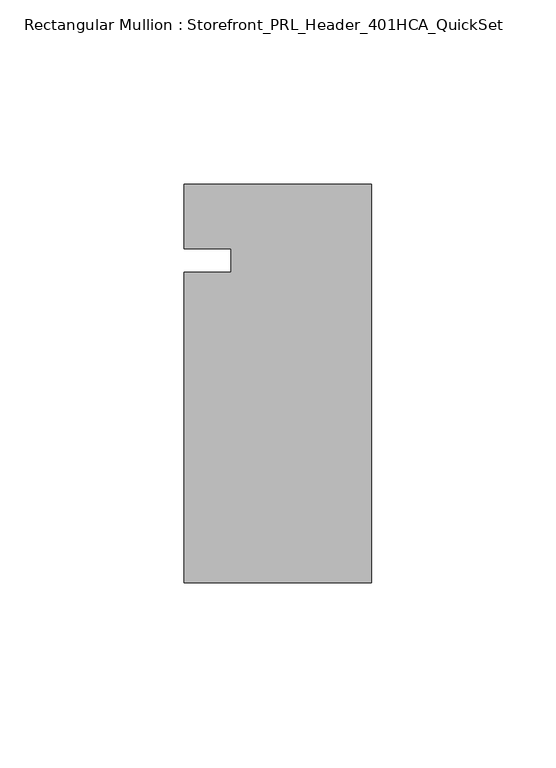
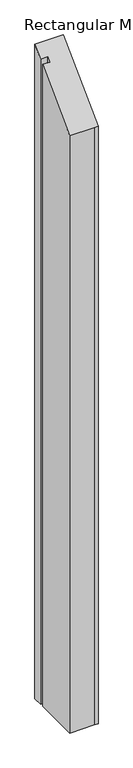
"""IFC4 building model written with IfcOpenShell, lengths in millimetres: member geometry, Rectangular Mullion : Storefront_PRL_Header_401HCA_QuickSet."""

from ifc_helpers import new_model, si_unit, origin, place, context, project, spatial, faceted_brep, source, transform, mapped, element, save


def rectangular_mullion_storefront_prl_header_401hca_quickset_e82ffaa1(model_context):
    return source(origin(), model_context, "Body", "Brep", [
        faceted_brep([(-38.1, -3.175, -1219.2), (-38.1, 3.175, -1219.2), (-50.8, 3.175, -1219.2), (-50.8, 20.6375, -1219.2), (-7.7254924, 20.6375, -1219.2), (0.0, 20.6375, -1219.2), (0.0, -87.3125, -1219.2), (-6.35, -87.3125, -1219.2), (-50.8, -87.3125, -1219.2), (-50.8, -3.175, -1219.2), (-50.8, -3.175, -3.175), (-38.1, -3.175, -3.175), (-50.8, -87.3125, -87.3125), (-6.35, -87.3125, -87.3125), (0.0, -87.3125, -87.3125), (0.0, 20.6375, 20.6375), (-7.7254924, 20.6375, 20.6375), (-50.8, 20.6375, 20.6375), (-50.8, 3.175, 3.175), (-38.1, 3.175, 3.175)], [[[0, 1, 2, 3, 4, 5, 6, 7, 8, 9]], [[10, 11, 0, 9]], [[12, 10, 9, 8]], [[13, 12, 8, 7]], [[14, 13, 7, 6]], [[15, 14, 6, 5]], [[16, 15, 5, 4]], [[17, 16, 4, 3]], [[18, 17, 3, 2]], [[19, 18, 2, 1]], [[11, 19, 1, 0]], [[11, 10, 12, 13, 14, 15, 16, 17, 18, 19]]]),
    ])


if __name__ == "__main__":
    model = new_model("IFC4")
    model_context = context("Model", 3, world=origin())
    ifc_project = project(units=[si_unit("LENGTHUNIT", "METRE", prefix="MILLI")], contexts=[model_context])
    site = spatial("IfcSite", under=ifc_project)
    building = spatial("IfcBuilding", under=site)
    placement = place(None, origin())
    rectangular_mullion_storefront_prl_header_401hca_quickset_shape = rectangular_mullion_storefront_prl_header_401hca_quickset_e82ffaa1(model_context)
    element("IfcMember", 1, ObjectType="Rectangular Mullion : Storefront_PRL_Header_401HCA_QuickSet", at=placement, inside=building, context=model_context, shape_type="MappedRepresentation", body=[
        mapped(rectangular_mullion_storefront_prl_header_401hca_quickset_shape, transform((0.0, 0.0, 0.0), x_axis=(1.0, 0.0, 0.0), y_axis=(0.0, 1.0, 0.0), z_axis=(0.0, 0.0, 1.0))),
    ])
    save(model, "model.ifc")
